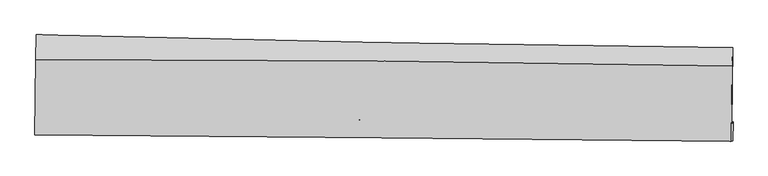
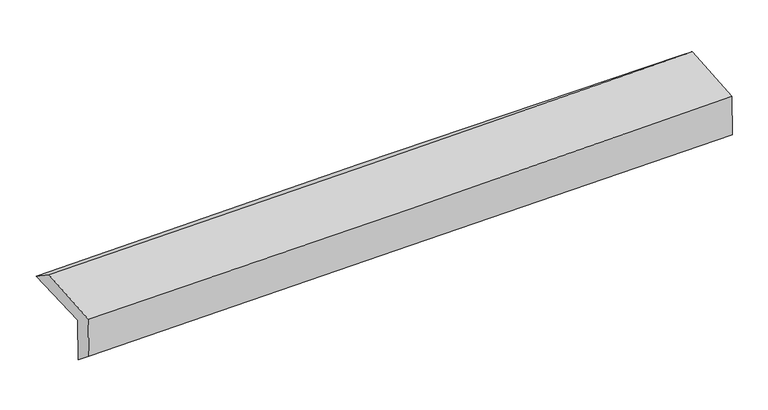
"""IFC4 building model written with IfcOpenShell, lengths in millimetres: proxy geometry."""

import ifcopenshell
import ifcopenshell.guid

model = None  # the IFC model being written
_history = None  # IfcOwnerHistory: only IFC2X3 demands one
_inside = {}  # id of a spatial element -> (the spatial element, [elements in it])
_under = {}  # id of a project, library or spatial element -> (it, [spatial elements below it])
_declared = {}  # id of a project -> (the project, [libraries it declares])
_typed = {}  # id of a type object -> (the type object, [elements of that type])
_made_of = {}  # id of a material, layer set ... -> (it, [elements and type objects made of it])


def new_model(schema):
    """Start an empty IFC model of exactly this schema.

    Asked for "IFC4X3", IfcOpenShell would pick the latest addendum, in which some entities
    have other attributes; the version numbers below select the first issue.
    IFC2X3 requires an IfcOwnerHistory on every rooted entity: one is made here for all.
    """
    global model, _history
    if schema == "IFC4X3":
        model = ifcopenshell.file(schema_version=(4, 3, 0, 0))
    else:
        model = ifcopenshell.file(schema=schema)
    _inside.clear()
    _under.clear()
    _declared.clear()
    _typed.clear()
    _made_of.clear()
    _history = None
    if model.schema == "IFC2X3":
        org = make("IfcOrganization", Name="unknown")
        user = make(
            "IfcPersonAndOrganization",
            ThePerson=make("IfcPerson", FamilyName="unknown"),
            TheOrganization=org,
        )
        app = make(
            "IfcApplication",
            ApplicationDeveloper=org,
            Version="unknown",
            ApplicationFullName="unknown",
            ApplicationIdentifier="unknown",
        )
        _history = make(
            "IfcOwnerHistory",
            OwningUser=user,
            OwningApplication=app,
            ChangeAction="ADDED",
            CreationDate=0,
        )
    return model


def make(cls, **values):
    """One entity of the class cls with the attributes given. An attribute that is None is left unset."""
    return model.create_entity(
        cls, **{name: value for name, value in values.items() if value is not None}
    )


def rooted(cls, **values):
    """An entity with a GlobalId (a new one), such as an element, a storey or a relation."""
    return make(cls, GlobalId=ifcopenshell.guid.new(), OwnerHistory=_history, **values)


def si_unit(unit_type, name, prefix=None):
    """IfcSIUnit, for example si_unit("LENGTHUNIT", "METRE", prefix="MILLI")."""
    return make("IfcSIUnit", UnitType=unit_type, Prefix=prefix, Name=name)


def assignment(units):
    """IfcUnitAssignment: the units of a project."""
    return None if units is None else make("IfcUnitAssignment", Units=units)


def point(xyz):
    """IfcCartesianPoint."""
    return None if xyz is None else make("IfcCartesianPoint", Coordinates=xyz)


def direction(xyz):
    """IfcDirection."""
    return None if xyz is None else make("IfcDirection", DirectionRatios=xyz)


def frame(location, z_axis=None, x_axis=None):
    """IfcAxis2Placement3D, a coordinate frame: its origin and axes. An axis left out is left unset."""
    return make(
        "IfcAxis2Placement3D",
        Location=point(location),
        Axis=direction(z_axis),
        RefDirection=direction(x_axis),
    )


def origin():
    """The frame at (0, 0, 0) with its axes left unset."""
    return frame((0.0, 0.0, 0.0))


def place(relative_to, where):
    """IfcLocalPlacement: puts the frame where relative to a parent placement (None: the world)."""
    return make(
        "IfcLocalPlacement", PlacementRelTo=relative_to, RelativePlacement=where
    )


def context(
    kind, dimensions, precision=None, world=None, true_north=None, identifier=None
):
    """IfcGeometricRepresentationContext, for example the 3D "Model" context."""
    return make(
        "IfcGeometricRepresentationContext",
        ContextIdentifier=identifier,
        ContextType=kind,
        CoordinateSpaceDimension=dimensions,
        Precision=precision,
        WorldCoordinateSystem=world,
        TrueNorth=true_north,
    )


def project(units=None, contexts=None):
    """IfcProject with its units and contexts."""
    return rooted(
        "IfcProject",
        Name="project",
        RepresentationContexts=contexts,
        UnitsInContext=assignment(units),
    )


def spatial(cls, under=None, at=None, **own):
    """A site, building, storey or space (cls), placed at a placement, below another one or the project."""
    s = rooted(cls, ObjectPlacement=at, **own)
    if under is not None:
        _under.setdefault(under.id(), (under, []))[1].append(s)
    return s


def shape(context_of_items, identifier, shape_type, items):
    """IfcShapeRepresentation: the items that make up one representation, for example the "Body"."""
    return make(
        "IfcShapeRepresentation",
        ContextOfItems=context_of_items,
        RepresentationIdentifier=identifier,
        RepresentationType=shape_type,
        Items=items,
    )


def source(mapping_origin, context_of_items, identifier, shape_type, items):
    """IfcRepresentationMap: a shape defined once, which mapped items show again and again."""
    return make(
        "IfcRepresentationMap",
        MappingOrigin=mapping_origin,
        MappedRepresentation=shape(context_of_items, identifier, shape_type, items),
    )


def transform(
    local_origin,
    x_axis=None,
    y_axis=None,
    z_axis=None,
    scale=None,
    scale2=None,
    scale3=None,
    uniform=True,
):
    """IfcCartesianTransformationOperator3D, or its non-uniform kind. x_axis, y_axis, z_axis: its Axis1, 2, 3."""
    if uniform:
        return make(
            "IfcCartesianTransformationOperator3D",
            Axis1=direction(x_axis),
            Axis2=direction(y_axis),
            LocalOrigin=point(local_origin),
            Scale=scale,
            Axis3=direction(z_axis),
        )
    return make(
        "IfcCartesianTransformationOperator3DnonUniform",
        Axis1=direction(x_axis),
        Axis2=direction(y_axis),
        LocalOrigin=point(local_origin),
        Scale=scale,
        Axis3=direction(z_axis),
        Scale2=scale2,
        Scale3=scale3,
    )


def mapped(mapping_source, mapping_target):
    """IfcMappedItem: shows the shape of a source again, moved by a transform."""
    return make(
        "IfcMappedItem", MappingSource=mapping_source, MappingTarget=mapping_target
    )


def made_of(thing, what):
    """Note that an element or type object is made of a material, layer set ...; save() writes the relation."""
    if what is not None:
        _made_of.setdefault(what.id(), (what, []))[1].append(thing)
    return thing


def element(
    cls,
    number,
    at=None,
    inside=None,
    cuts=None,
    type_object=None,
    material=None,
    context=None,
    identifier="Body",
    shape_type=None,
    held_by="IfcProductDefinitionShape",
    body=None,
    shapes=None,
    **own,
):
    """One element of the class cls, such as IfcWall. Its Tag is "e" and its number.

    at: its placement. inside: the storey or other place that contains it. cuts: it is an
    opening in that element (IfcRelVoidsElement). A single representation is given by context,
    identifier, shape_type and body (its items); several are given by shapes. held_by: the class
    of the entity that holds the representations. save() writes the other relations.
    """
    e = rooted(cls, Tag="e%d" % number, ObjectPlacement=at, **own)
    if body is not None:
        shapes = [shape(context, identifier, shape_type, body)]
    if shapes is not None:
        e.Representation = make(held_by, Representations=shapes)
    if inside is not None:
        _inside.setdefault(inside.id(), (inside, []))[1].append(e)
    if cuts is not None:
        rooted(
            "IfcRelVoidsElement", RelatingBuildingElement=cuts, RelatedOpeningElement=e
        )
    if type_object is not None:
        _typed.setdefault(type_object.id(), (type_object, []))[1].append(e)
    return made_of(e, material)


def aggregate(whole, parts):
    """IfcRelAggregates: a whole, such as a stair, and the parts it consists of."""
    return rooted("IfcRelAggregates", RelatingObject=whole, RelatedObjects=parts)


def save(model, path):
    """Write the relations noted so far, then the file.

    IfcRelAggregates (storeys below a building ...), IfcRelContainedInSpatialStructure (elements
    in a storey), IfcRelDefinesByType, IfcRelAssociatesMaterial and IfcRelDeclares: one each for
    every whole, place, type object, material and project.
    """
    for whole, parts in _under.values():
        aggregate(whole, parts)
    for where, things in _inside.values():
        rooted(
            "IfcRelContainedInSpatialStructure",
            RelatedElements=things,
            RelatingStructure=where,
        )
    for kind, things in _typed.values():
        rooted("IfcRelDefinesByType", RelatedObjects=things, RelatingType=kind)
    for what, things in _made_of.values():
        rooted("IfcRelAssociatesMaterial", RelatedObjects=things, RelatingMaterial=what)
    for by, libraries in _declared.values():
        rooted("IfcRelDeclares", RelatingContext=by, RelatedDefinitions=libraries)
    model.write(path)


def plane_surface(at):
    """IfcPlane: the flat surface through the origin of the frame at, square to its z axis."""
    return make("IfcPlane", Position=at)


def spline_curve(degree, points, multiplicities, knots, weights=None):
    """IfcBSplineCurveWithKnots; with weights, IfcRationalBSplineCurveWithKnots."""
    own = dict(
        Degree=degree,
        ControlPointsList=[point(p) for p in points],
        CurveForm="UNSPECIFIED",
        ClosedCurve=False,
        SelfIntersect=False,
        KnotMultiplicities=multiplicities,
        Knots=knots,
        KnotSpec="UNSPECIFIED",
    )
    if weights is None:
        return make("IfcBSplineCurveWithKnots", **own)
    return make("IfcRationalBSplineCurveWithKnots", WeightsData=weights, **own)


def spline_surface(u_degree, v_degree, points, u_multiplicities, v_multiplicities, u_knots, v_knots, weights=None):
    """IfcBSplineSurfaceWithKnots; with weights, IfcRationalBSplineSurfaceWithKnots. points: one row for each step in u."""
    own = dict(
        UDegree=u_degree,
        VDegree=v_degree,
        ControlPointsList=[[point(p) for p in row] for row in points],
        SurfaceForm="UNSPECIFIED",
        UClosed=False,
        VClosed=False,
        SelfIntersect=False,
        UMultiplicities=u_multiplicities,
        VMultiplicities=v_multiplicities,
        UKnots=u_knots,
        VKnots=v_knots,
        KnotSpec="UNSPECIFIED",
    )
    if weights is None:
        return make("IfcBSplineSurfaceWithKnots", **own)
    return make("IfcRationalBSplineSurfaceWithKnots", WeightsData=weights, **own)


def advanced_brep(points, edges, surfaces, faces):
    """IfcAdvancedBrep: a solid bounded by faces that lie on surfaces and meet in shared edges.

    An edge is (start, end): straight between two places in points (the first is 0);
    or (start, end, curve); or (start, end, curve, False) where it runs against its curve.
    A face is (place in surfaces, loops), or (place, loops, False) where it looks against
    its surface's normal. A loop lists edges by number (the first is 1), with a minus sign
    where the edge is run from its end to its start. The first loop is the outer one.
    """
    corners = [point(p) for p in points]
    vertices = [make("IfcVertexPoint", VertexGeometry=c) for c in corners]
    made = []
    for start, end, *more in edges:
        made.append(
            make(
                "IfcEdgeCurve",
                EdgeStart=vertices[start],
                EdgeEnd=vertices[end],
                EdgeGeometry=more[0] if more else make("IfcPolyline", Points=[corners[start], corners[end]]),
                SameSense=more[1] if len(more) > 1 else True,
            )
        )
    hull = []
    for where, loops, *sense in faces:
        bounds = []
        for j, loop in enumerate(loops):
            ring = [make("IfcOrientedEdge", EdgeElement=made[abs(k) - 1], Orientation=k > 0) for k in loop]
            bounds.append(
                make(
                    "IfcFaceOuterBound" if j == 0 else "IfcFaceBound",
                    Bound=make("IfcEdgeLoop", EdgeList=ring),
                    Orientation=True,
                )
            )
        hull.append(make("IfcAdvancedFace", Bounds=bounds, FaceSurface=surfaces[where], SameSense=sense[0] if sense else True))
    return make("IfcAdvancedBrep", Outer=make("IfcClosedShell", CfsFaces=hull))


def generic_models_c9c7fd95(model_context):
    return source(origin(), model_context, "Body", "AdvancedBrep", [
        advanced_brep(
        [(-3027.2986835, -1749.2848947, 1946.3472307), (-3019.8158942, -1061.1870495, 1965.2806035), (3012.7774494, -1173.1900023, 2131.4672185), (3006.1257043, -1836.0369166, 2116.7726044), (-3017.3084539, -1739.1310925, 1546.3013994), (3016.5548383, -1818.5652279, 1702.3832658), (-3023.0749897, -1925.4885748, 1692.7155788), (3011.7556998, -1983.2961773, 1825.9920202), (-3032.4583022, -1930.0051297, 2070.808492), (3002.155027, -1984.7630402, 2213.7209245), (-3025.9987499, -1275.4687185, 2115.4911821), (3007.9447662, -1333.5888536, 2258.2874558)],
        [
            (0, 1),
            (1, 2, spline_curve(3, [(-3019.8158942, -1061.1870495, 1965.2806035), (-2014.832456025, -1088.226622897, 2007.984710326), (-1009.60108237, -1111.080229997, 2043.185945418), (1001.263411905, -1148.413764122, 2098.580078934), (2006.896486256, -1162.89447466, 2118.774382419), (3012.7774494, -1173.1900023, 2131.4672185)], [4, 2, 4], [0.0, 9.902483558134628, 19.804040143335698])),
            (2, 3),
            (3, 0, spline_curve(3, [(3006.1257043, -1836.0369166, 2116.7726044), (2000.430877218, -1827.523247009, 2091.219094912), (994.821628316, -1816.037554471, 2064.240957098), (-1016.319850546, -1787.120770413, 2007.432766266), (-2021.852063919, -1769.689122162, 1977.602445826), (-3027.2986835, -1749.2848947, 1946.3472307)], [4, 2, 4], [0.0, 9.90155658520107, 19.804040143335698])),
            (4, 0),
            (3, 5),
            (5, 4, spline_curve(3, [(3016.5548383, -1818.5652279, 1702.3832658), (2010.849934444, -1808.974332865, 1677.739750629), (1005.199074731, -1797.559769216, 1652.411811783), (-1006.088699409, -1771.082065435, 1600.384651368), (-2011.725603638, -1756.018584021, 1573.6853012), (-3017.3084539, -1739.1310925, 1546.3013994)], [4, 2, 4], [0.0, 9.901846346999067, 19.80461969405888])),
            (6, 4),
            (5, 7),
            (7, 6, spline_curve(3, [(3011.7556998, -1983.2961773, 1825.9920202), (2005.971023463, -1973.067045436, 1803.823518605), (1000.199666688, -1963.135390973, 1781.63341888), (-1011.41056586, -1943.866134486, 1737.207942285), (-2017.249438624, -1934.528588268, 1714.972561805), (-3023.0749897, -1925.4885748, 1692.7155788)], [4, 2, 4], [0.0, 9.90188767889635, 19.80470236172289])),
            (8, 6),
            (7, 9),
            (9, 8, spline_curve(3, [(3002.155027, -1984.7630402, 2213.7209245), (1996.750334979, -1973.962883105, 2176.541259462), (991.187090769, -1963.999820029, 2146.042302017), (-1020.350655747, -1945.747026208, 2098.403573744), (-2026.325188309, -1937.457452893, 2081.265053273), (-3032.4583022, -1930.0051297, 2070.808492)], [4, 2, 4], [0.0, 9.902092433168038, 19.80511188943514])),
            (10, 8),
            (9, 11),
            (11, 10, spline_curve(3, [(3007.9447662, -1333.5888536, 2258.2874558), (2002.741790259, -1313.362316609, 2221.693911641), (997.335221337, -1298.405683974, 2191.497707692), (-1013.979245864, -1279.031318565, 2143.897751684), (-2019.887182559, -1274.614573226, 2126.495197902), (-3025.9987499, -1275.4687185, 2115.4911821)], [4, 2, 4], [0.0, 9.90174736836774, 19.804421727529952])),
            (1, 10),
            (11, 2),
        ],
        [
            spline_surface(3, 3, [[(-3027.2986835, -1749.2848947, 1946.3472307), (-2021.85206389, -1769.689122222, 1977.602445979), (-1016.319850417, -1787.120770369, 2007.432766105), (994.821628187, -1816.037554516, 2064.240957259), (2000.430877353, -1827.523246973, 2091.219095012), (3006.1257043, -1836.0369166, 2116.7726044)], [(-3024.804420409, -1519.918946323, 1952.658354989), (-2019.512194569, -1542.534955828, 1987.729867428), (-1014.080261089, -1561.77392361, 2019.350492497), (996.968889406, -1593.496291015, 2075.687331162), (2002.586080324, -1605.980322813, 2100.404190774), (3008.342952669, -1615.087945155, 2121.670809092)], [(-3022.310157291, -1290.552997877, 1958.969479211), (-2017.172325222, -1315.380789365, 1997.857288809), (-1011.840671698, -1336.427076858, 2031.26821894), (999.116150686, -1370.95502752, 2087.133705117), (2004.741283288, -1384.437398688, 2109.58928656), (3010.560201031, -1394.138973745, 2126.569013808)], [(-3019.8158942, -1061.1870495, 1965.2806035), (-2014.8324559, -1088.22662297, 2007.984710258), (-1009.60108237, -1111.0802301, 2043.185945332), (1001.263411905, -1148.413764019, 2098.58007902), (2006.896486258, -1162.894474528, 2118.774382322), (3012.7774494, -1173.1900023, 2131.4672185)]], [4, 4], [4, 2, 4], [0.0, 2.2072776051906686], [0.0, 9.902483558134628, 19.804040143335698]),
            spline_surface(3, 3, [[(-3017.3084539, -1739.1310925, 1546.3013994), (-2011.725603766, -1756.018583953, 1573.685301297), (-1006.088699442, -1771.082065502, 1600.384651256), (1005.199074765, -1797.55976915, 1652.411811895), (2010.849934466, -1808.974332753, 1677.739750745), (3016.5548383, -1818.5652279, 1702.3832658)], [(-3020.63853041, -1742.515693206, 1679.650009824), (-2015.101090451, -1760.575430015, 1708.324349515), (-1009.499083086, -1776.428300464, 1736.067356229), (1001.739925921, -1803.719030945, 1789.688193706), (2007.376915411, -1815.157304157, 1815.566198839), (3013.078460283, -1824.389124131, 1840.513045338)], [(-3023.96860699, -1745.900293994, 1812.998620276), (-2018.476577205, -1765.13227616, 1842.963397761), (-1012.909466774, -1781.774535406, 1871.750061132), (998.280777032, -1809.87829272, 1926.964575448), (2003.903896408, -1821.340275569, 1953.392646918), (3009.602082317, -1830.213020369, 1978.642824862)], [(-3027.2986835, -1749.2848947, 1946.3472307), (-2021.85206389, -1769.689122222, 1977.602445979), (-1016.319850417, -1787.120770369, 2007.432766105), (994.821628187, -1816.037554516, 2064.240957259), (2000.430877353, -1827.523246973, 2091.219095012), (3006.1257043, -1836.0369166, 2116.7726044)]], [4, 4], [4, 2, 4], [0.0, 1.3449196011962596], [0.0, 9.902773347059812, 19.80461969405888]),
            spline_surface(3, 3, [[(-3023.0749897, -1925.4885748, 1692.7155788), (-2017.249438723, -1934.528588121, 1714.972561822), (-1011.41056575, -1943.866134458, 1737.207942369), (1000.199666579, -1963.135391001, 1781.633418796), (2005.971023437, -1973.067045482, 1803.823518706), (3011.7556998, -1983.2961773, 1825.9920202)], [(-3021.15281109, -1863.369414042, 1643.91085232), (-2015.408160394, -1875.025253407, 1667.8768083), (-1009.636610329, -1886.271444809, 1691.600178662), (1001.866135959, -1907.943517054, 1738.559549826), (2007.597327143, -1918.369474564, 1761.79559603), (3013.355412663, -1928.385860825, 1784.789102044)], [(-3019.23063251, -1801.250253258, 1595.10612588), (-2013.566882095, -1815.521918666, 1620.781054819), (-1007.862654863, -1828.676755151, 1645.992414963), (1003.532605385, -1852.751643097, 1695.485680865), (2009.22363076, -1863.671903671, 1719.767673421), (3014.955125437, -1873.475544375, 1743.586183956)], [(-3017.3084539, -1739.1310925, 1546.3013994), (-2011.725603766, -1756.018583953, 1573.685301297), (-1006.088699442, -1771.082065502, 1600.384651256), (1005.199074765, -1797.55976915, 1652.411811895), (2010.849934466, -1808.974332753, 1677.739750745), (3016.5548383, -1818.5652279, 1702.3832658)]], [4, 4], [4, 2, 4], [0.0, 0.7062851521162437], [0.0, 9.90281468282654, 19.80470236172289]),
            spline_surface(3, 3, [[(-3032.4583022, -1930.0051297, 2070.808492), (-2026.325188201, -1937.457452801, 2081.265053367), (-1020.350655838, -1945.747026336, 2098.403573668), (991.187090859, -1963.999819901, 2146.042302094), (1996.750334926, -1973.962883222, 2176.54125932), (3002.155027, -1984.7630402, 2213.7209245)], [(-3029.330531388, -1928.499611387, 1944.777520934), (-2023.299938396, -1936.481164561, 1959.167556186), (-1017.370625784, -1945.120062345, 1978.005029895), (994.19128279, -1963.711676903, 2024.572674322), (1999.823897758, -1973.664270647, 2052.302012468), (3005.355251261, -1984.274085905, 2084.477956418)], [(-3026.202760512, -1926.994093113, 1818.746549866), (-2020.274688528, -1935.504876361, 1837.070059003), (-1014.390595803, -1944.493098449, 1857.606486142), (997.195474648, -1963.423533999, 1903.103046568), (2002.897460605, -1973.365658057, 1928.062765559), (3008.555475539, -1983.785131595, 1955.234988282)], [(-3023.0749897, -1925.4885748, 1692.7155788), (-2017.249438723, -1934.528588121, 1714.972561822), (-1011.41056575, -1943.866134458, 1737.207942369), (1000.199666579, -1963.135391001, 1781.633418796), (2005.971023437, -1973.067045482, 1803.823518706), (3011.7556998, -1983.2961773, 1825.9920202)]], [4, 4], [4, 2, 4], [0.0, 1.1906684080060592], [0.0, 9.903019456267101, 19.80511188943514]),
            spline_surface(3, 3, [[(-3025.9987499, -1275.4687185, 2115.4911821), (-2019.88718248, -1274.614573287, 2126.495197955), (-1013.979245882, -1279.03131869, 2143.897751789), (997.335221355, -1298.405683849, 2191.497707587), (2002.741790139, -1313.362316771, 2221.693911617), (3007.9447662, -1333.5888536, 2258.2874558)], [(-3028.151933995, -1493.647522254, 2100.596952087), (-2022.033184382, -1495.562199812, 2111.418483112), (-1016.103049194, -1501.269887927, 2128.733025736), (995.285844529, -1520.270395888, 2176.345905743), (2000.7446384, -1533.562505577, 2206.643027508), (3006.014853132, -1550.646915789, 2243.431945356)], [(-3030.305118105, -1711.826325946, 2085.702722013), (-2024.179186299, -1716.509826275, 2096.34176821), (-1018.226852525, -1723.508457099, 2113.568299721), (993.236467685, -1742.135107862, 2161.194103938), (1998.747486665, -1753.762694416, 2191.59214343), (3004.084940068, -1767.704978011, 2228.576434944)], [(-3032.4583022, -1930.0051297, 2070.808492), (-2026.325188201, -1937.457452801, 2081.265053367), (-1020.350655838, -1945.747026336, 2098.403573668), (991.187090859, -1963.999819901, 2146.042302094), (1996.750334926, -1973.962883222, 2176.54125932), (3002.155027, -1984.7630402, 2213.7209245)]], [4, 4], [4, 2, 4], [0.0, 2.190730549746188], [0.0, 9.902674359162212, 19.804421727529952]),
            spline_surface(3, 3, [[(-3019.8158942, -1061.1870495, 1965.2806035), (-2014.8324559, -1088.22662297, 2007.984710258), (-1009.60108237, -1111.0802301, 2043.185945332), (1001.263411905, -1148.413764019, 2098.58007902), (2006.896486258, -1162.894474528, 2118.774382322), (3012.7774494, -1173.1900023, 2131.4672185)], [(-3021.876846109, -1132.614272488, 2015.350796347), (-2016.517364769, -1150.355939731, 2047.488206137), (-1011.060470216, -1167.063926298, 2076.7565475), (999.954015045, -1198.411070631, 2129.552621892), (2005.511587544, -1213.050421971, 2153.080892105), (3011.166554992, -1226.656286095, 2173.740630952)], [(-3023.937797991, -1204.041495512, 2065.420989253), (-2018.202273611, -1212.485256526, 2086.991702076), (-1012.519858035, -1223.047622492, 2110.327149621), (998.644618214, -1248.408377238, 2160.525164715), (2004.126688853, -1263.206369328, 2187.387401834), (3009.555660608, -1280.122569805, 2216.014043348)], [(-3025.9987499, -1275.4687185, 2115.4911821), (-2019.88718248, -1274.614573287, 2126.495197955), (-1013.979245882, -1279.03131869, 2143.897751789), (997.335221355, -1298.405683849, 2191.497707587), (2002.741790139, -1313.362316771, 2221.693911617), (3007.9447662, -1333.5888536, 2258.2874558)]], [4, 4], [4, 2, 4], [0.0, 0.6108234524860638], [0.0, 9.901787749941267, 19.80264859208368]),
            plane_surface(frame((3009.5522475, -1688.2400363, 2041.4372482), z_axis=(0.9996386238964595, -0.010579334886264731, 0.02471233068241926), x_axis=(0.02475353835477167, 0.0037820314770954577, -0.9996864301253795))),
            plane_surface(frame((-3024.3258456, -1613.4275766, 1889.4907478), z_axis=(-0.9996289250931474, 0.011549381704399281, -0.02467030399822916), x_axis=(-0.010869844172423072, -0.9995626066328807, -0.027503489032273887))),
        ],
        [
            (0, [[1, 2, 3, 4]]),
            (1, [[5, -4, 6, 7]]),
            (2, [[8, -7, 9, 10]]),
            (3, [[11, -10, 12, 13]]),
            (4, [[14, -13, 15, 16]]),
            (5, [[17, -16, 18, -2]]),
            (6, [[-12, -9, -6, -3, -18, -15]]),
            (7, [[-1, -5, -8, -11, -14, -17]]),
        ],
    ),
    ])


if __name__ == "__main__":
    model = new_model("IFC4")
    model_context = context("Model", 3, world=origin())
    ifc_project = project(units=[si_unit("LENGTHUNIT", "METRE", prefix="MILLI")], contexts=[model_context])
    site = spatial("IfcSite", under=ifc_project)
    building = spatial("IfcBuilding", under=site)
    placement = place(None, origin())
    generic_models_shape = generic_models_c9c7fd95(model_context)
    element("IfcBuildingElementProxy", 1, Name="Generic Models", at=placement, inside=building, context=model_context, shape_type="MappedRepresentation", body=[
        mapped(generic_models_shape, transform((0.0, 0.0, 0.0), x_axis=(1.0, 0.0, 0.0), y_axis=(0.0, 1.0, 0.0), z_axis=(0.0, 0.0, 1.0))),
    ])
    save(model, "model.ifc")
